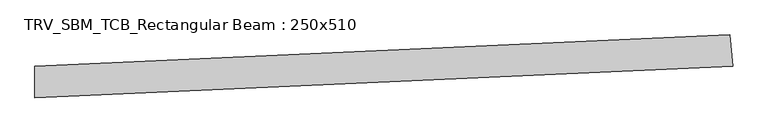
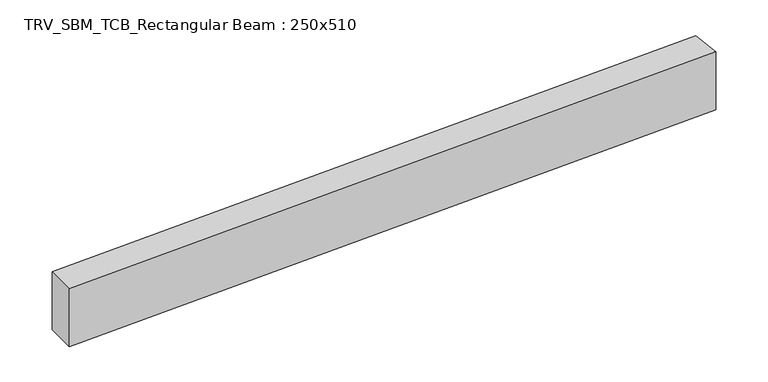
"""IFC4 building model written with IfcOpenShell, lengths in millimetres: beam geometry, TRV_SBM_TCB_Rectangular Beam : 250x510."""

from ifc_helpers import new_model, si_unit, point, frame, frame_2d, origin, place, context, project, spatial, polyline, circle_curve, trimmed, segment, composite_curve, outline, extrude, source, transform, mapped, element, save


def trv_sbm_tcb_rectangular_beam_250x510_0a5f7e45(model_context):
    return source(origin(), model_context, "Body", "SweptSolid", [
        extrude(outline(composite_curve([segment(polyline([(5512.1373998, 374.0402811), (5534.6815548, 125.0588338)]), True, "CONTINUOUS"), segment(trimmed(circle_curve(frame_2d((0.0, 61251.0147207)), 61376.0147207), [point((5534.6815548, 125.0588338))], [point((-12.7264307, -124.9986806))], False, "CARTESIAN"), True, "CONTINUOUS"), segment(polyline([(-12.7264307, -124.9986806), (-12.6745928, 125.0013141)]), True, "CONTINUOUS"), segment(trimmed(circle_curve(frame_2d((0.0, 61251.0147207)), 61126.0147207), [point((-12.6745928, 125.0013141))], [point((5512.1373998, 374.0402811))], True, "CARTESIAN"), True, "CONTINUOUS")], self_intersect=False)), frame((0.0, 0.0, -255.0), z_axis=(0.0, 0.0, 1.0), x_axis=(1.0, 0.0, 0.0)), (0.0, 0.0, 1.0), 510.0),
    ])


if __name__ == "__main__":
    model = new_model("IFC4")
    model_context = context("Model", 3, world=origin())
    ifc_project = project(units=[si_unit("LENGTHUNIT", "METRE", prefix="MILLI")], contexts=[model_context])
    site = spatial("IfcSite", under=ifc_project)
    building = spatial("IfcBuilding", under=site)
    placement = place(None, origin())
    trv_sbm_tcb_rectangular_beam_250x510_shape = trv_sbm_tcb_rectangular_beam_250x510_0a5f7e45(model_context)
    element("IfcBeam", 1, ObjectType="TRV_SBM_TCB_Rectangular Beam : 250x510", at=placement, inside=building, context=model_context, shape_type="MappedRepresentation", body=[
        mapped(trv_sbm_tcb_rectangular_beam_250x510_shape, transform((0.0, 0.0, 0.0), x_axis=(1.0, 0.0, 0.0), y_axis=(0.0, 1.0, 0.0), z_axis=(0.0, 0.0, 1.0))),
    ])
    save(model, "model.ifc")
